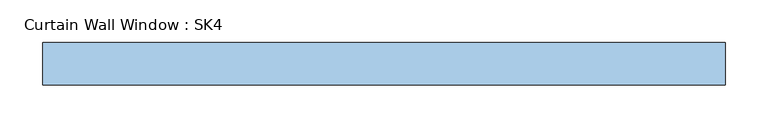
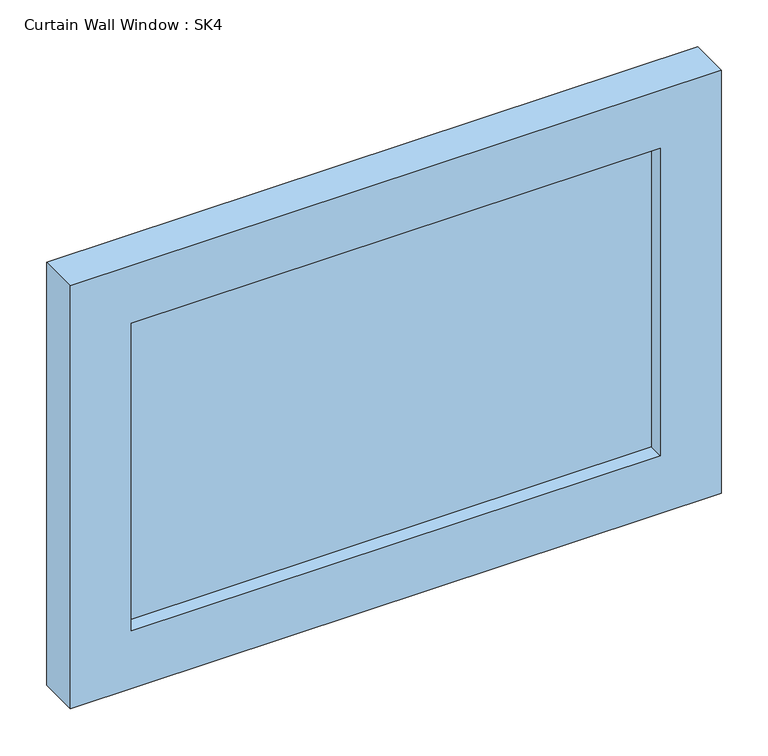
"""IFC4 building model written with IfcOpenShell, lengths in millimetres: window geometry, Curtain Wall Window : SK4."""

from ifc_helpers import new_model, si_unit, frame, origin, place, context, project, spatial, polyline, outline, extrude, source, transform, mapped, element, save


def curtain_wall_window_sk4_bacfc554(model_context):
    return source(origin(), model_context, "Body", "SweptSolid", [
        extrude(outline(polyline([(325.0, 44.05), (-325.0, 44.05), (-325.0, 56.75), (325.0, 56.75), (325.0, 44.05)])), frame((0.0, 0.0, 75.0), z_axis=(0.0, 0.0, 1.0), x_axis=(1.0, 0.0, 0.0)), (0.0, 0.0, 1.0), 400.0),
        extrude(outline(polyline([(550.0, -400.0), (0.0, -400.0), (0.0, 400.0), (550.0, 400.0), (550.0, -400.0)]), holes=[polyline([(475.0, -325.0), (475.0, 325.0), (75.0, 325.0), (75.0, -325.0), (475.0, -325.0)])]), frame((0.0, 25.0, 0.0), z_axis=(0.0, 1.0, 0.0), x_axis=(0.0, 0.0, 1.0)), (0.0, 0.0, 1.0), 50.0),
    ])


if __name__ == "__main__":
    model = new_model("IFC4")
    model_context = context("Model", 3, world=origin())
    ifc_project = project(units=[si_unit("LENGTHUNIT", "METRE", prefix="MILLI")], contexts=[model_context])
    site = spatial("IfcSite", under=ifc_project)
    building = spatial("IfcBuilding", under=site)
    placement = place(None, origin())
    curtain_wall_window_sk4_shape = curtain_wall_window_sk4_bacfc554(model_context)
    element("IfcWindow", 1, ObjectType="Curtain Wall Window : SK4", at=placement, inside=building, context=model_context, shape_type="MappedRepresentation", body=[
        mapped(curtain_wall_window_sk4_shape, transform((0.0, 0.0, 0.0), x_axis=(1.0, 0.0, 0.0), y_axis=(0.0, 1.0, 0.0), z_axis=(0.0, 0.0, 1.0))),
    ])
    save(model, "model.ifc")
